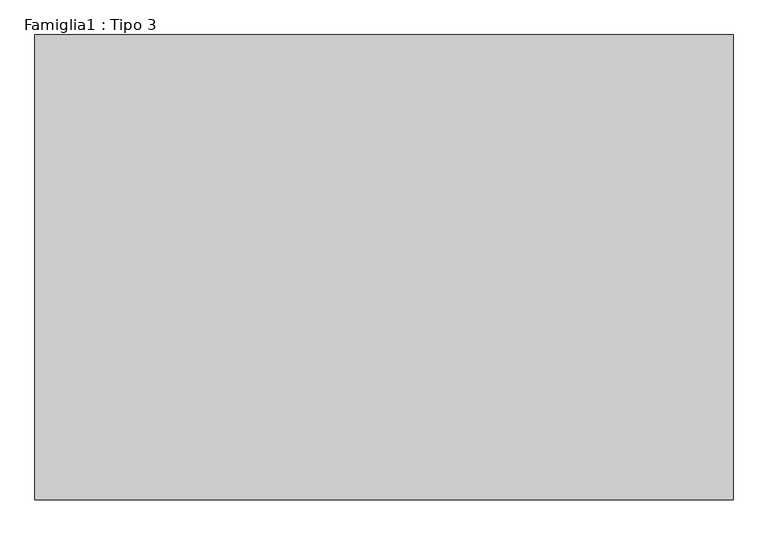
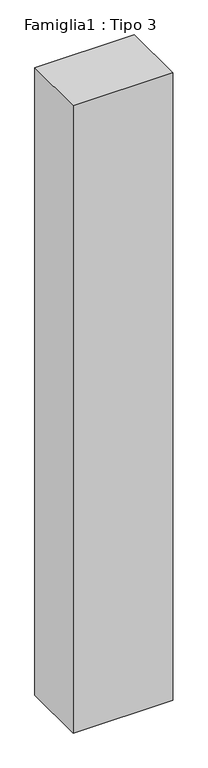
"""IFC4 building model written with IfcOpenShell, lengths in millimetres: proxy geometry, Famiglia1 : Tipo 3."""

from ifc_helpers import new_model, si_unit, origin, origin_with_axes, place, context, project, spatial, polyline, outline, extrude, source, transform, mapped, element, save


def famiglia1_tipo_3_c0353300(model_context):
    return source(origin(), model_context, "Body", "SweptSolid", [
        extrude(outline(polyline([(3000.0, 2000.0), (3000.0, 0.0), (0.0, 0.0), (0.0, 2000.0), (3000.0, 2000.0)])), origin_with_axes(), (0.0, 0.0, 1.0), 20000.0),
    ])


if __name__ == "__main__":
    model = new_model("IFC4")
    model_context = context("Model", 3, world=origin())
    ifc_project = project(units=[si_unit("LENGTHUNIT", "METRE", prefix="MILLI")], contexts=[model_context])
    site = spatial("IfcSite", under=ifc_project)
    building = spatial("IfcBuilding", under=site)
    placement = place(None, origin())
    famiglia1_tipo_3_shape = famiglia1_tipo_3_c0353300(model_context)
    element("IfcBuildingElementProxy", 1, Name="Famiglia1 : Tipo 3", ObjectType="Famiglia1 : Tipo 3", at=placement, inside=building, context=model_context, shape_type="MappedRepresentation", body=[
        mapped(famiglia1_tipo_3_shape, transform((0.0, 0.0, 0.0), x_axis=(1.0, 0.0, 0.0), y_axis=(0.0, 1.0, 0.0), z_axis=(0.0, 0.0, 1.0))),
    ])
    save(model, "model.ifc")
